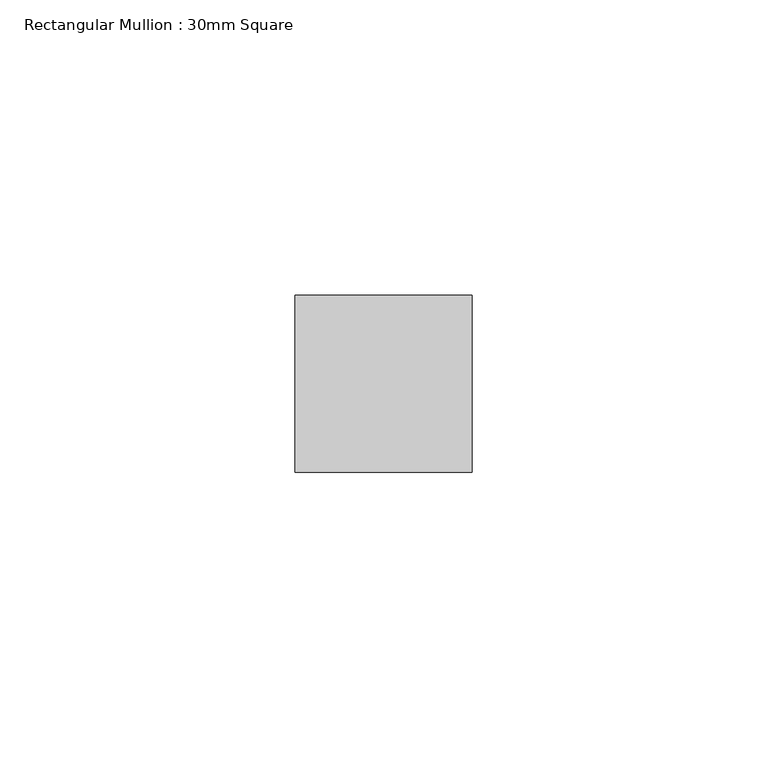
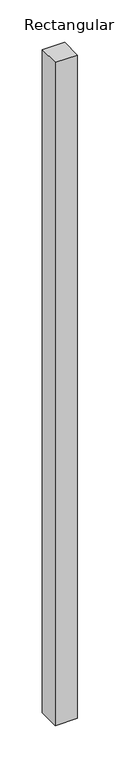
"""IFC4 building model written with IfcOpenShell, lengths in millimetres: member geometry, Rectangular Mullion : 30mm Square."""

import ifcopenshell
import ifcopenshell.guid

model = None  # the IFC model being written
_history = None  # IfcOwnerHistory: only IFC2X3 demands one
_inside = {}  # id of a spatial element -> (the spatial element, [elements in it])
_under = {}  # id of a project, library or spatial element -> (it, [spatial elements below it])
_declared = {}  # id of a project -> (the project, [libraries it declares])
_typed = {}  # id of a type object -> (the type object, [elements of that type])
_made_of = {}  # id of a material, layer set ... -> (it, [elements and type objects made of it])


def new_model(schema):
    """Start an empty IFC model of exactly this schema.

    Asked for "IFC4X3", IfcOpenShell would pick the latest addendum, in which some entities
    have other attributes; the version numbers below select the first issue.
    IFC2X3 requires an IfcOwnerHistory on every rooted entity: one is made here for all.
    """
    global model, _history
    if schema == "IFC4X3":
        model = ifcopenshell.file(schema_version=(4, 3, 0, 0))
    else:
        model = ifcopenshell.file(schema=schema)
    _inside.clear()
    _under.clear()
    _declared.clear()
    _typed.clear()
    _made_of.clear()
    _history = None
    if model.schema == "IFC2X3":
        org = make("IfcOrganization", Name="unknown")
        user = make(
            "IfcPersonAndOrganization",
            ThePerson=make("IfcPerson", FamilyName="unknown"),
            TheOrganization=org,
        )
        app = make(
            "IfcApplication",
            ApplicationDeveloper=org,
            Version="unknown",
            ApplicationFullName="unknown",
            ApplicationIdentifier="unknown",
        )
        _history = make(
            "IfcOwnerHistory",
            OwningUser=user,
            OwningApplication=app,
            ChangeAction="ADDED",
            CreationDate=0,
        )
    return model


def make(cls, **values):
    """One entity of the class cls with the attributes given. An attribute that is None is left unset."""
    return model.create_entity(
        cls, **{name: value for name, value in values.items() if value is not None}
    )


def rooted(cls, **values):
    """An entity with a GlobalId (a new one), such as an element, a storey or a relation."""
    return make(cls, GlobalId=ifcopenshell.guid.new(), OwnerHistory=_history, **values)


def si_unit(unit_type, name, prefix=None):
    """IfcSIUnit, for example si_unit("LENGTHUNIT", "METRE", prefix="MILLI")."""
    return make("IfcSIUnit", UnitType=unit_type, Prefix=prefix, Name=name)


def assignment(units):
    """IfcUnitAssignment: the units of a project."""
    return None if units is None else make("IfcUnitAssignment", Units=units)


def point(xyz):
    """IfcCartesianPoint."""
    return None if xyz is None else make("IfcCartesianPoint", Coordinates=xyz)


def direction(xyz):
    """IfcDirection."""
    return None if xyz is None else make("IfcDirection", DirectionRatios=xyz)


def frame(location, z_axis=None, x_axis=None):
    """IfcAxis2Placement3D, a coordinate frame: its origin and axes. An axis left out is left unset."""
    return make(
        "IfcAxis2Placement3D",
        Location=point(location),
        Axis=direction(z_axis),
        RefDirection=direction(x_axis),
    )


def origin():
    """The frame at (0, 0, 0) with its axes left unset."""
    return frame((0.0, 0.0, 0.0))


def place(relative_to, where):
    """IfcLocalPlacement: puts the frame where relative to a parent placement (None: the world)."""
    return make(
        "IfcLocalPlacement", PlacementRelTo=relative_to, RelativePlacement=where
    )


def context(
    kind, dimensions, precision=None, world=None, true_north=None, identifier=None
):
    """IfcGeometricRepresentationContext, for example the 3D "Model" context."""
    return make(
        "IfcGeometricRepresentationContext",
        ContextIdentifier=identifier,
        ContextType=kind,
        CoordinateSpaceDimension=dimensions,
        Precision=precision,
        WorldCoordinateSystem=world,
        TrueNorth=true_north,
    )


def project(units=None, contexts=None):
    """IfcProject with its units and contexts."""
    return rooted(
        "IfcProject",
        Name="project",
        RepresentationContexts=contexts,
        UnitsInContext=assignment(units),
    )


def spatial(cls, under=None, at=None, **own):
    """A site, building, storey or space (cls), placed at a placement, below another one or the project."""
    s = rooted(cls, ObjectPlacement=at, **own)
    if under is not None:
        _under.setdefault(under.id(), (under, []))[1].append(s)
    return s


def polyline(points):
    """IfcPolyline through the points."""
    return make("IfcPolyline", Points=[point(p) for p in points])


def outline(outer, holes=None, kind="AREA"):
    """IfcArbitraryClosedProfileDef: a profile drawn as a closed curve; with holes, ...WithVoids."""
    if holes is None:
        return make("IfcArbitraryClosedProfileDef", ProfileType=kind, OuterCurve=outer)
    return make(
        "IfcArbitraryProfileDefWithVoids",
        ProfileType=kind,
        OuterCurve=outer,
        InnerCurves=holes,
    )


def extrude(swept, where, along, depth):
    """IfcExtrudedAreaSolid: the profile swept, set in the frame where, extruded along a direction by depth."""
    return make(
        "IfcExtrudedAreaSolid",
        SweptArea=swept,
        Position=where,
        ExtrudedDirection=direction(along),
        Depth=depth,
    )


def shape(context_of_items, identifier, shape_type, items):
    """IfcShapeRepresentation: the items that make up one representation, for example the "Body"."""
    return make(
        "IfcShapeRepresentation",
        ContextOfItems=context_of_items,
        RepresentationIdentifier=identifier,
        RepresentationType=shape_type,
        Items=items,
    )


def source(mapping_origin, context_of_items, identifier, shape_type, items):
    """IfcRepresentationMap: a shape defined once, which mapped items show again and again."""
    return make(
        "IfcRepresentationMap",
        MappingOrigin=mapping_origin,
        MappedRepresentation=shape(context_of_items, identifier, shape_type, items),
    )


def transform(
    local_origin,
    x_axis=None,
    y_axis=None,
    z_axis=None,
    scale=None,
    scale2=None,
    scale3=None,
    uniform=True,
):
    """IfcCartesianTransformationOperator3D, or its non-uniform kind. x_axis, y_axis, z_axis: its Axis1, 2, 3."""
    if uniform:
        return make(
            "IfcCartesianTransformationOperator3D",
            Axis1=direction(x_axis),
            Axis2=direction(y_axis),
            LocalOrigin=point(local_origin),
            Scale=scale,
            Axis3=direction(z_axis),
        )
    return make(
        "IfcCartesianTransformationOperator3DnonUniform",
        Axis1=direction(x_axis),
        Axis2=direction(y_axis),
        LocalOrigin=point(local_origin),
        Scale=scale,
        Axis3=direction(z_axis),
        Scale2=scale2,
        Scale3=scale3,
    )


def mapped(mapping_source, mapping_target):
    """IfcMappedItem: shows the shape of a source again, moved by a transform."""
    return make(
        "IfcMappedItem", MappingSource=mapping_source, MappingTarget=mapping_target
    )


def made_of(thing, what):
    """Note that an element or type object is made of a material, layer set ...; save() writes the relation."""
    if what is not None:
        _made_of.setdefault(what.id(), (what, []))[1].append(thing)
    return thing


def element(
    cls,
    number,
    at=None,
    inside=None,
    cuts=None,
    type_object=None,
    material=None,
    context=None,
    identifier="Body",
    shape_type=None,
    held_by="IfcProductDefinitionShape",
    body=None,
    shapes=None,
    **own,
):
    """One element of the class cls, such as IfcWall. Its Tag is "e" and its number.

    at: its placement. inside: the storey or other place that contains it. cuts: it is an
    opening in that element (IfcRelVoidsElement). A single representation is given by context,
    identifier, shape_type and body (its items); several are given by shapes. held_by: the class
    of the entity that holds the representations. save() writes the other relations.
    """
    e = rooted(cls, Tag="e%d" % number, ObjectPlacement=at, **own)
    if body is not None:
        shapes = [shape(context, identifier, shape_type, body)]
    if shapes is not None:
        e.Representation = make(held_by, Representations=shapes)
    if inside is not None:
        _inside.setdefault(inside.id(), (inside, []))[1].append(e)
    if cuts is not None:
        rooted(
            "IfcRelVoidsElement", RelatingBuildingElement=cuts, RelatedOpeningElement=e
        )
    if type_object is not None:
        _typed.setdefault(type_object.id(), (type_object, []))[1].append(e)
    return made_of(e, material)


def aggregate(whole, parts):
    """IfcRelAggregates: a whole, such as a stair, and the parts it consists of."""
    return rooted("IfcRelAggregates", RelatingObject=whole, RelatedObjects=parts)


def save(model, path):
    """Write the relations noted so far, then the file.

    IfcRelAggregates (storeys below a building ...), IfcRelContainedInSpatialStructure (elements
    in a storey), IfcRelDefinesByType, IfcRelAssociatesMaterial and IfcRelDeclares: one each for
    every whole, place, type object, material and project.
    """
    for whole, parts in _under.values():
        aggregate(whole, parts)
    for where, things in _inside.values():
        rooted(
            "IfcRelContainedInSpatialStructure",
            RelatedElements=things,
            RelatingStructure=where,
        )
    for kind, things in _typed.values():
        rooted("IfcRelDefinesByType", RelatedObjects=things, RelatingType=kind)
    for what, things in _made_of.values():
        rooted("IfcRelAssociatesMaterial", RelatedObjects=things, RelatingMaterial=what)
    for by, libraries in _declared.values():
        rooted("IfcRelDeclares", RelatingContext=by, RelatedDefinitions=libraries)
    model.write(path)


def rectangular_mullion_30mm_square_7a84a4ae(model_context):
    return source(origin(), model_context, "Body", "SweptSolid", [
        extrude(outline(polyline([(0.0, 15.0), (0.0, -15.0), (-30.0, -15.0), (-30.0, 15.0), (0.0, 15.0)])), frame((0.0, 0.0, -952.9609166), z_axis=(0.0, 0.0, 1.0), x_axis=(1.0, 0.0, 0.0)), (0.0, 0.0, 1.0), 952.9609166),
    ])


if __name__ == "__main__":
    model = new_model("IFC4")
    model_context = context("Model", 3, world=origin())
    ifc_project = project(units=[si_unit("LENGTHUNIT", "METRE", prefix="MILLI")], contexts=[model_context])
    site = spatial("IfcSite", under=ifc_project)
    building = spatial("IfcBuilding", under=site)
    placement = place(None, origin())
    rectangular_mullion_30mm_square_shape = rectangular_mullion_30mm_square_7a84a4ae(model_context)
    element("IfcMember", 1, ObjectType="Rectangular Mullion : 30mm Square", at=placement, inside=building, context=model_context, shape_type="MappedRepresentation", body=[
        mapped(rectangular_mullion_30mm_square_shape, transform((0.0, 0.0, 0.0), x_axis=(1.0, 0.0, 0.0), y_axis=(0.0, 1.0, 0.0), z_axis=(0.0, 0.0, 1.0))),
    ])
    save(model, "model.ifc")
